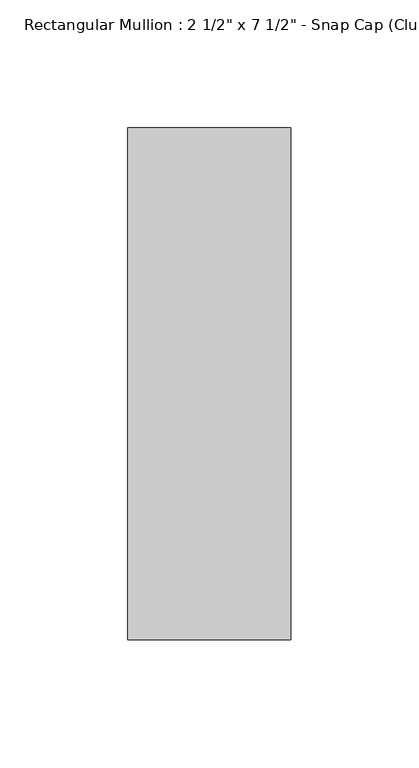
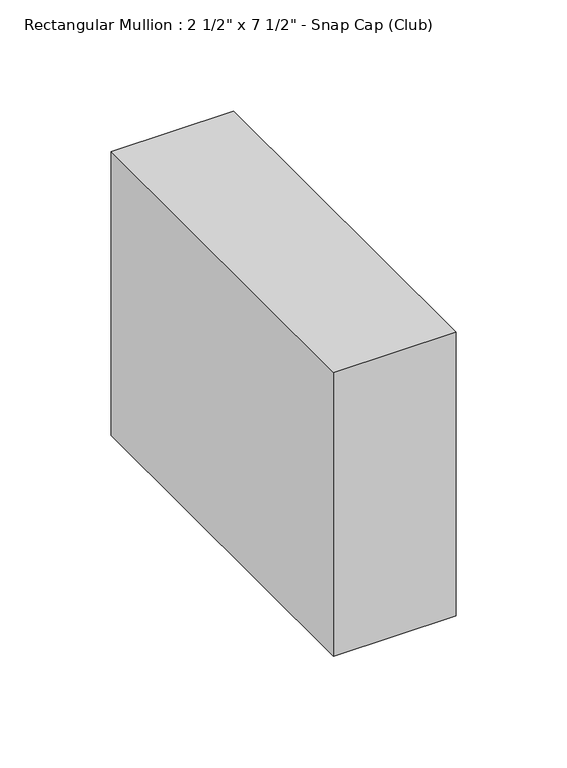
"""IFC4 building model written with IfcOpenShell, lengths in millimetres: member geometry."""

from ifc_helpers import new_model, si_unit, frame, origin, place, context, project, spatial, polyline, outline, extrude, source, transform, mapped, element, save


def member_6dfb9e33(model_context):
    return source(origin(), model_context, "Body", "SweptSolid", [
        extrude(outline(polyline([(31.75, 25.8), (31.75, -174.2), (-31.75, -174.2), (-31.75, 25.8), (31.75, 25.8)])), frame((0.0, 0.0, -155.8336393), z_axis=(0.0, 0.0, 1.0), x_axis=(1.0, 0.0, 0.0)), (0.0, 0.0, 1.0), 155.8336393),
    ])


if __name__ == "__main__":
    model = new_model("IFC4")
    model_context = context("Model", 3, world=origin())
    ifc_project = project(units=[si_unit("LENGTHUNIT", "METRE", prefix="MILLI")], contexts=[model_context])
    site = spatial("IfcSite", under=ifc_project)
    building = spatial("IfcBuilding", under=site)
    placement = place(None, origin())
    member_shape = member_6dfb9e33(model_context)
    element("IfcMember", 1, ObjectType="Rectangular Mullion : 2 1/2\" x 7 1/2\" - Snap Cap (Club)", at=placement, inside=building, context=model_context, shape_type="MappedRepresentation", body=[
        mapped(member_shape, transform((0.0, 0.0, 0.0), x_axis=(1.0, 0.0, 0.0), y_axis=(0.0, 1.0, 0.0), z_axis=(0.0, 0.0, 1.0))),
    ])
    save(model, "model.ifc")
